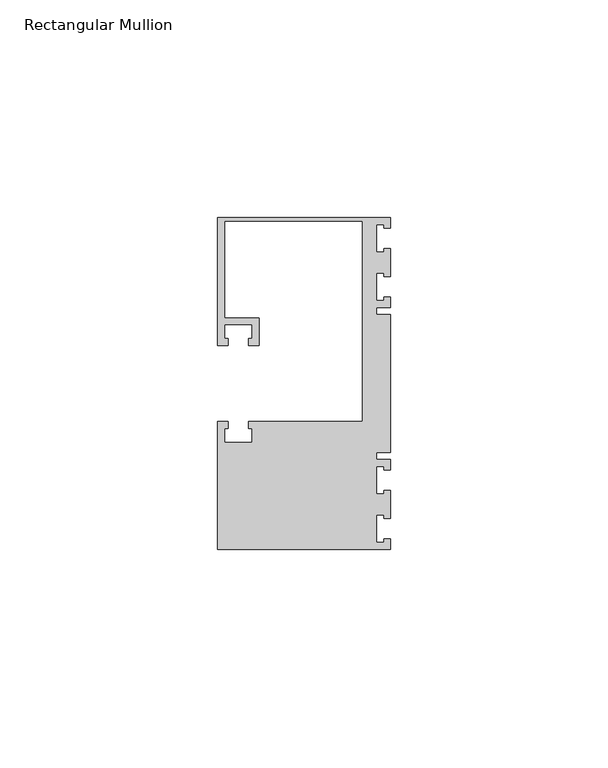
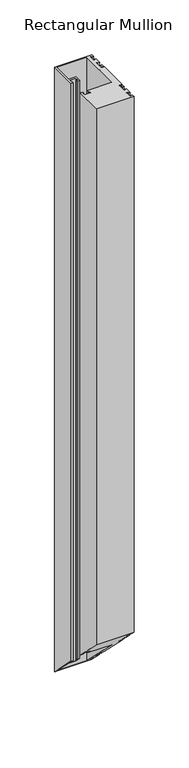
"""IFC4 building model written with IfcOpenShell, lengths in millimetres: member geometry, Rectangular Mullion."""

import ifcopenshell
import ifcopenshell.guid

model = None  # the IFC model being written
_history = None  # IfcOwnerHistory: only IFC2X3 demands one
_inside = {}  # id of a spatial element -> (the spatial element, [elements in it])
_under = {}  # id of a project, library or spatial element -> (it, [spatial elements below it])
_declared = {}  # id of a project -> (the project, [libraries it declares])
_typed = {}  # id of a type object -> (the type object, [elements of that type])
_made_of = {}  # id of a material, layer set ... -> (it, [elements and type objects made of it])


def new_model(schema):
    """Start an empty IFC model of exactly this schema.

    Asked for "IFC4X3", IfcOpenShell would pick the latest addendum, in which some entities
    have other attributes; the version numbers below select the first issue.
    IFC2X3 requires an IfcOwnerHistory on every rooted entity: one is made here for all.
    """
    global model, _history
    if schema == "IFC4X3":
        model = ifcopenshell.file(schema_version=(4, 3, 0, 0))
    else:
        model = ifcopenshell.file(schema=schema)
    _inside.clear()
    _under.clear()
    _declared.clear()
    _typed.clear()
    _made_of.clear()
    _history = None
    if model.schema == "IFC2X3":
        org = make("IfcOrganization", Name="unknown")
        user = make(
            "IfcPersonAndOrganization",
            ThePerson=make("IfcPerson", FamilyName="unknown"),
            TheOrganization=org,
        )
        app = make(
            "IfcApplication",
            ApplicationDeveloper=org,
            Version="unknown",
            ApplicationFullName="unknown",
            ApplicationIdentifier="unknown",
        )
        _history = make(
            "IfcOwnerHistory",
            OwningUser=user,
            OwningApplication=app,
            ChangeAction="ADDED",
            CreationDate=0,
        )
    return model


def make(cls, **values):
    """One entity of the class cls with the attributes given. An attribute that is None is left unset."""
    return model.create_entity(
        cls, **{name: value for name, value in values.items() if value is not None}
    )


def rooted(cls, **values):
    """An entity with a GlobalId (a new one), such as an element, a storey or a relation."""
    return make(cls, GlobalId=ifcopenshell.guid.new(), OwnerHistory=_history, **values)


def si_unit(unit_type, name, prefix=None):
    """IfcSIUnit, for example si_unit("LENGTHUNIT", "METRE", prefix="MILLI")."""
    return make("IfcSIUnit", UnitType=unit_type, Prefix=prefix, Name=name)


def assignment(units):
    """IfcUnitAssignment: the units of a project."""
    return None if units is None else make("IfcUnitAssignment", Units=units)


def point(xyz):
    """IfcCartesianPoint."""
    return None if xyz is None else make("IfcCartesianPoint", Coordinates=xyz)


def direction(xyz):
    """IfcDirection."""
    return None if xyz is None else make("IfcDirection", DirectionRatios=xyz)


def frame(location, z_axis=None, x_axis=None):
    """IfcAxis2Placement3D, a coordinate frame: its origin and axes. An axis left out is left unset."""
    return make(
        "IfcAxis2Placement3D",
        Location=point(location),
        Axis=direction(z_axis),
        RefDirection=direction(x_axis),
    )


def origin():
    """The frame at (0, 0, 0) with its axes left unset."""
    return frame((0.0, 0.0, 0.0))


def place(relative_to, where):
    """IfcLocalPlacement: puts the frame where relative to a parent placement (None: the world)."""
    return make(
        "IfcLocalPlacement", PlacementRelTo=relative_to, RelativePlacement=where
    )


def context(
    kind, dimensions, precision=None, world=None, true_north=None, identifier=None
):
    """IfcGeometricRepresentationContext, for example the 3D "Model" context."""
    return make(
        "IfcGeometricRepresentationContext",
        ContextIdentifier=identifier,
        ContextType=kind,
        CoordinateSpaceDimension=dimensions,
        Precision=precision,
        WorldCoordinateSystem=world,
        TrueNorth=true_north,
    )


def project(units=None, contexts=None):
    """IfcProject with its units and contexts."""
    return rooted(
        "IfcProject",
        Name="project",
        RepresentationContexts=contexts,
        UnitsInContext=assignment(units),
    )


def spatial(cls, under=None, at=None, **own):
    """A site, building, storey or space (cls), placed at a placement, below another one or the project."""
    s = rooted(cls, ObjectPlacement=at, **own)
    if under is not None:
        _under.setdefault(under.id(), (under, []))[1].append(s)
    return s


def faces_of(points, faces, orient=None, outer=None):
    """IfcFace entities. A face is a list of loops; a loop is a list of indices into points, from 0.

    orient and outer hold one flag for each loop. By default every Orientation is true, the
    first loop of a face is its IfcFaceOuterBound and the others are IfcFaceBound.
    """
    made = []
    for i, loops in enumerate(faces):
        bounds = []
        for j, loop in enumerate(loops):
            is_outer = j == 0 if outer is None else outer[i][j]
            bounds.append(
                make(
                    "IfcFaceOuterBound" if is_outer else "IfcFaceBound",
                    Bound=make("IfcPolyLoop", Polygon=[points[k] for k in loop]),
                    Orientation=True if orient is None else orient[i][j],
                )
            )
        made.append(make("IfcFace", Bounds=bounds))
    return made


def faceted_brep(points, faces, orient=None, outer=None, voids=None):
    """IfcFacetedBrep: a solid bounded by flat faces; with voids (closed shells), ...WithVoids."""
    shared = [point(p) for p in points]
    hull = make("IfcClosedShell", CfsFaces=faces_of(shared, faces, orient, outer))
    if voids is None:
        return make("IfcFacetedBrep", Outer=hull)
    return make(
        "IfcFacetedBrepWithVoids",
        Outer=hull,
        Voids=[
            make(cls, CfsFaces=faces_of(shared, fs, o, b)) for cls, fs, o, b in voids
        ],
    )


def shape(context_of_items, identifier, shape_type, items):
    """IfcShapeRepresentation: the items that make up one representation, for example the "Body"."""
    return make(
        "IfcShapeRepresentation",
        ContextOfItems=context_of_items,
        RepresentationIdentifier=identifier,
        RepresentationType=shape_type,
        Items=items,
    )


def source(mapping_origin, context_of_items, identifier, shape_type, items):
    """IfcRepresentationMap: a shape defined once, which mapped items show again and again."""
    return make(
        "IfcRepresentationMap",
        MappingOrigin=mapping_origin,
        MappedRepresentation=shape(context_of_items, identifier, shape_type, items),
    )


def transform(
    local_origin,
    x_axis=None,
    y_axis=None,
    z_axis=None,
    scale=None,
    scale2=None,
    scale3=None,
    uniform=True,
):
    """IfcCartesianTransformationOperator3D, or its non-uniform kind. x_axis, y_axis, z_axis: its Axis1, 2, 3."""
    if uniform:
        return make(
            "IfcCartesianTransformationOperator3D",
            Axis1=direction(x_axis),
            Axis2=direction(y_axis),
            LocalOrigin=point(local_origin),
            Scale=scale,
            Axis3=direction(z_axis),
        )
    return make(
        "IfcCartesianTransformationOperator3DnonUniform",
        Axis1=direction(x_axis),
        Axis2=direction(y_axis),
        LocalOrigin=point(local_origin),
        Scale=scale,
        Axis3=direction(z_axis),
        Scale2=scale2,
        Scale3=scale3,
    )


def mapped(mapping_source, mapping_target):
    """IfcMappedItem: shows the shape of a source again, moved by a transform."""
    return make(
        "IfcMappedItem", MappingSource=mapping_source, MappingTarget=mapping_target
    )


def made_of(thing, what):
    """Note that an element or type object is made of a material, layer set ...; save() writes the relation."""
    if what is not None:
        _made_of.setdefault(what.id(), (what, []))[1].append(thing)
    return thing


def element(
    cls,
    number,
    at=None,
    inside=None,
    cuts=None,
    type_object=None,
    material=None,
    context=None,
    identifier="Body",
    shape_type=None,
    held_by="IfcProductDefinitionShape",
    body=None,
    shapes=None,
    **own,
):
    """One element of the class cls, such as IfcWall. Its Tag is "e" and its number.

    at: its placement. inside: the storey or other place that contains it. cuts: it is an
    opening in that element (IfcRelVoidsElement). A single representation is given by context,
    identifier, shape_type and body (its items); several are given by shapes. held_by: the class
    of the entity that holds the representations. save() writes the other relations.
    """
    e = rooted(cls, Tag="e%d" % number, ObjectPlacement=at, **own)
    if body is not None:
        shapes = [shape(context, identifier, shape_type, body)]
    if shapes is not None:
        e.Representation = make(held_by, Representations=shapes)
    if inside is not None:
        _inside.setdefault(inside.id(), (inside, []))[1].append(e)
    if cuts is not None:
        rooted(
            "IfcRelVoidsElement", RelatingBuildingElement=cuts, RelatedOpeningElement=e
        )
    if type_object is not None:
        _typed.setdefault(type_object.id(), (type_object, []))[1].append(e)
    return made_of(e, material)


def aggregate(whole, parts):
    """IfcRelAggregates: a whole, such as a stair, and the parts it consists of."""
    return rooted("IfcRelAggregates", RelatingObject=whole, RelatedObjects=parts)


def save(model, path):
    """Write the relations noted so far, then the file.

    IfcRelAggregates (storeys below a building ...), IfcRelContainedInSpatialStructure (elements
    in a storey), IfcRelDefinesByType, IfcRelAssociatesMaterial and IfcRelDeclares: one each for
    every whole, place, type object, material and project.
    """
    for whole, parts in _under.values():
        aggregate(whole, parts)
    for where, things in _inside.values():
        rooted(
            "IfcRelContainedInSpatialStructure",
            RelatedElements=things,
            RelatingStructure=where,
        )
    for kind, things in _typed.values():
        rooted("IfcRelDefinesByType", RelatedObjects=things, RelatingType=kind)
    for what, things in _made_of.values():
        rooted("IfcRelAssociatesMaterial", RelatedObjects=things, RelatingMaterial=what)
    for by, libraries in _declared.values():
        rooted("IfcRelDeclares", RelatingContext=by, RelatedDefinitions=libraries)
    model.write(path)


def rectangular_mullion_4058f581(model_context):
    return source(origin(), model_context, "Body", "Brep", [
        faceted_brep([(0.0, 38.1, 0.0), (-39.6875, 38.1, 0.0), (-39.6875, 8.73125, 0.0), (-37.30625, 8.73125, 0.0), (-37.30625, 10.31875, 0.0), (-38.1, 10.31875, 0.0), (-38.1, 13.49375, 0.0), (-31.75, 13.49375, 0.0), (-31.75, 10.31875, 0.0), (-32.54375, 10.31875, 0.0), (-32.54375, 8.73125, 0.0), (-30.1625, 8.73125, 0.0), (-30.1625, 15.08125, 0.0), (-38.1, 15.08125, 0.0), (-38.1, 37.30625, 0.0), (-6.35, 37.30625, 0.0), (-6.35, -8.73125, 0.0), (-32.54375, -8.73125, 0.0), (-32.54375, -10.31875, 0.0), (-31.75, -10.31875, 0.0), (-31.75, -13.49375, 0.0), (-38.1, -13.49375, 0.0), (-38.1, -10.31875, 0.0), (-37.30625, -10.31875, 0.0), (-37.30625, -8.73125, 0.0), (-39.6875, -8.73125, 0.0), (-39.6875, -38.1, 0.0), (0.0, -38.1, 0.0), (0.0, -35.71875, 0.0), (-1.4999946, -35.71875, 0.0), (-1.4999946, -36.5125, 0.0), (-3.175, -36.5125, 0.0), (-3.175, -30.1625, 0.0), (-1.4999946, -30.1625, 0.0), (-1.4999946, -30.95625, 0.0), (0.0, -30.95625, 0.0), (0.0, -24.60625, 0.0), (-1.4999946, -24.60625, 0.0), (-1.4999946, -25.4, 0.0), (-3.175, -25.4, 0.0), (-3.175, -19.05, 0.0), (-1.4999946, -19.05, 0.0), (-1.4999946, -19.84375, 0.0), (0.0, -19.84375, 0.0), (0.0, -17.4625, 0.0), (-3.175, -17.4625, 0.0), (-3.175, -15.875, 0.0), (0.0, -15.875, 0.0), (0.0, 15.875, 0.0), (-3.175, 15.875, 0.0), (-3.175, 17.4625, 0.0), (0.0, 17.4625, 0.0), (0.0, 19.84375, 0.0), (-1.4999946, 19.84375, 0.0), (-1.4999946, 19.05, 0.0), (-3.175, 19.05, 0.0), (-3.175, 25.4, 0.0), (-1.4999946, 25.4, 0.0), (-1.4999946, 24.60625, 0.0), (0.0, 24.60625, 0.0), (0.0, 30.95625, 0.0), (-1.4999946, 30.95625, 0.0), (-1.4999946, 30.1625, 0.0), (-3.175, 30.1625, 0.0), (-3.175, 36.5125, 0.0), (-1.4999946, 36.5125, 0.0), (-1.4999946, 35.71875, 0.0), (0.0, 35.71875, 0.0), (0.0, 38.1, -673.1), (-39.6875, 38.1, -673.1), (-39.6875, 8.73125, -643.73125), (-37.30625, 8.73125, -643.73125), (-37.30625, 10.31875, -645.31875), (-38.1, 10.31875, -645.31875), (-38.1, 13.49375, -648.49375), (-31.75, 13.49375, -648.49375), (-31.75, 10.31875, -645.31875), (-32.54375, 10.31875, -645.31875), (-32.54375, 8.73125, -643.73125), (-30.1625, 8.73125, -643.73125), (-30.1625, 15.08125, -650.08125), (-38.1, 15.08125, -650.08125), (-38.1, 37.30625, -672.30625), (-6.35, 37.30625, -672.30625), (-6.35, -8.73125, -626.26875), (-32.54375, -8.73125, -626.26875), (-32.54375, -10.31875, -624.68125), (-31.75, -10.31875, -624.68125), (-31.75, -13.49375, -621.50625), (-38.1, -13.49375, -621.50625), (-38.1, -10.31875, -624.68125), (-37.30625, -10.31875, -624.68125), (-37.30625, -8.73125, -626.26875), (-39.6875, -8.73125, -626.26875), (-39.6875, -38.1, -596.9), (0.0, -38.1, -596.9), (0.0, -35.71875, -599.28125), (-1.4999946, -35.71875, -599.28125), (-1.4999946, -36.5125, -598.4875), (-3.175, -36.5125, -598.4875), (-3.175, -30.1625, -604.8375), (-1.4999946, -30.1625, -604.8375), (-1.4999946, -30.95625, -604.04375), (0.0, -30.95625, -604.04375), (0.0, -24.60625, -610.39375), (-1.4999946, -24.60625, -610.39375), (-1.4999946, -25.4, -609.6), (-3.175, -25.4, -609.6), (-3.175, -19.05, -615.95), (-1.4999946, -19.05, -615.95), (-1.4999946, -19.84375, -615.15625), (0.0, -19.84375, -615.15625), (0.0, -17.4625, -617.5375), (-3.175, -17.4625, -617.5375), (-3.175, -15.875, -619.125), (0.0, -15.875, -619.125), (0.0, 15.875, -650.875), (-3.175, 15.875, -650.875), (-3.175, 17.4625, -652.4625), (0.0, 17.4625, -652.4625), (0.0, 19.84375, -654.84375), (-1.4999946, 19.84375, -654.84375), (-1.4999946, 19.05, -654.05), (-3.175, 19.05, -654.05), (-3.175, 25.4, -660.4), (-1.4999946, 25.4, -660.4), (-1.4999946, 24.60625, -659.60625), (0.0, 24.60625, -659.60625), (0.0, 30.95625, -665.95625), (-1.4999946, 30.95625, -665.95625), (-1.4999946, 30.1625, -665.1625), (-3.175, 30.1625, -665.1625), (-3.175, 36.5125, -671.5125), (-1.4999946, 36.5125, -671.5125), (-1.4999946, 35.71875, -670.71875), (0.0, 35.71875, -670.71875)], [[[0, 1, 2, 3, 4, 5, 6, 7, 8, 9, 10, 11, 12, 13, 14, 15, 16, 17, 18, 19, 20, 21, 22, 23, 24, 25, 26, 27, 28, 29, 30, 31, 32, 33, 34, 35, 36, 37, 38, 39, 40, 41, 42, 43, 44, 45, 46, 47, 48, 49, 50, 51, 52, 53, 54, 55, 56, 57, 58, 59, 60, 61, 62, 63, 64, 65, 66, 67]], [[1, 0, 68, 69]], [[2, 1, 69, 70]], [[3, 2, 70, 71]], [[4, 3, 71, 72]], [[5, 4, 72, 73]], [[6, 5, 73, 74]], [[7, 6, 74, 75]], [[8, 7, 75, 76]], [[9, 8, 76, 77]], [[10, 9, 77, 78]], [[11, 10, 78, 79]], [[12, 11, 79, 80]], [[13, 12, 80, 81]], [[14, 13, 81, 82]], [[15, 14, 82, 83]], [[16, 15, 83, 84]], [[17, 16, 84, 85]], [[18, 17, 85, 86]], [[19, 18, 86, 87]], [[20, 19, 87, 88]], [[21, 20, 88, 89]], [[22, 21, 89, 90]], [[23, 22, 90, 91]], [[24, 23, 91, 92]], [[25, 24, 92, 93]], [[26, 25, 93, 94]], [[27, 26, 94, 95]], [[28, 27, 95, 96]], [[29, 28, 96, 97]], [[30, 29, 97, 98]], [[31, 30, 98, 99]], [[32, 31, 99, 100]], [[33, 32, 100, 101]], [[34, 33, 101, 102]], [[35, 34, 102, 103]], [[36, 35, 103, 104]], [[37, 36, 104, 105]], [[38, 37, 105, 106]], [[39, 38, 106, 107]], [[40, 39, 107, 108]], [[41, 40, 108, 109]], [[42, 41, 109, 110]], [[43, 42, 110, 111]], [[44, 43, 111, 112]], [[45, 44, 112, 113]], [[46, 45, 113, 114]], [[47, 46, 114, 115]], [[48, 47, 115, 116]], [[49, 48, 116, 117]], [[50, 49, 117, 118]], [[51, 50, 118, 119]], [[52, 51, 119, 120]], [[53, 52, 120, 121]], [[54, 53, 121, 122]], [[55, 54, 122, 123]], [[56, 55, 123, 124]], [[57, 56, 124, 125]], [[58, 57, 125, 126]], [[59, 58, 126, 127]], [[60, 59, 127, 128]], [[61, 60, 128, 129]], [[62, 61, 129, 130]], [[63, 62, 130, 131]], [[64, 63, 131, 132]], [[65, 64, 132, 133]], [[66, 65, 133, 134]], [[67, 66, 134, 135]], [[0, 67, 135, 68]], [[68, 135, 134, 133, 132, 131, 130, 129, 128, 127, 126, 125, 124, 123, 122, 121, 120, 119, 118, 117, 116, 115, 114, 113, 112, 111, 110, 109, 108, 107, 106, 105, 104, 103, 102, 101, 100, 99, 98, 97, 96, 95, 94, 93, 92, 91, 90, 89, 88, 87, 86, 85, 84, 83, 82, 81, 80, 79, 78, 77, 76, 75, 74, 73, 72, 71, 70, 69]]]),
    ])


if __name__ == "__main__":
    model = new_model("IFC4")
    model_context = context("Model", 3, world=origin())
    ifc_project = project(units=[si_unit("LENGTHUNIT", "METRE", prefix="MILLI")], contexts=[model_context])
    site = spatial("IfcSite", under=ifc_project)
    building = spatial("IfcBuilding", under=site)
    placement = place(None, origin())
    rectangular_mullion_shape = rectangular_mullion_4058f581(model_context)
    element("IfcMember", 1, ObjectType="Rectangular Mullion", at=placement, inside=building, context=model_context, shape_type="MappedRepresentation", body=[
        mapped(rectangular_mullion_shape, transform((0.0, 0.0, 0.0), x_axis=(1.0, 0.0, 0.0), y_axis=(0.0, 1.0, 0.0), z_axis=(0.0, 0.0, 1.0))),
    ])
    save(model, "model.ifc")
